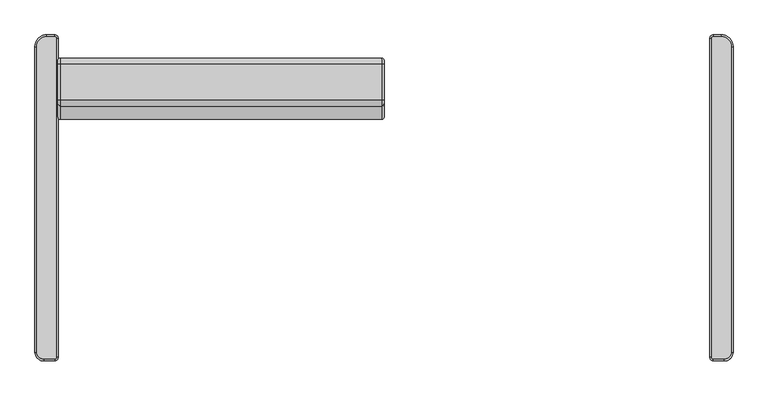
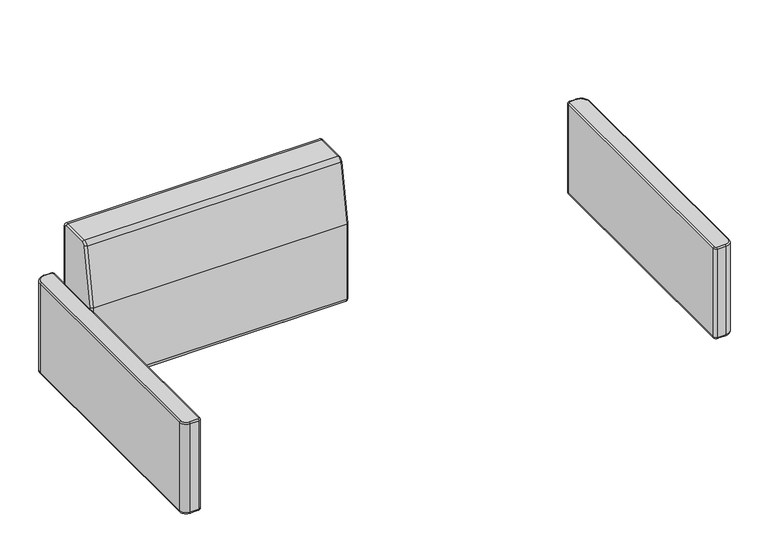
"""IFC4 building model written with IfcOpenShell, lengths in millimetres: furniture geometry."""

from ifc_helpers import new_model, si_unit, point, frame, origin, place, context, project, spatial, circle_curve, ellipse_curve, trimmed, source, transform, mapped, element, save
from ifc_brep_helpers import plane_surface, cylinder_surface, revolved_surface, advanced_brep


def furniture_9912855e(model_context):
    return source(origin(), model_context, "Body", "AdvancedBrep", [
        advanced_brep(
        [(-715.1646314, 347.967307, 584.1999879), (-718.8135784, 351.616254, 584.1999879), (-736.5972339, 351.616254, 584.1999879), (-758.0179739, 330.195514, 584.1999879), (-758.0179739, -336.562693, 584.1999879), (-742.9390268, -351.6416401, 584.1999879), (-718.8135784, -351.6416401, 584.1999879), (-715.1646314, -347.992693, 584.1999879), (-718.8135784, 351.616254, 317.4999879), (-715.1646314, 347.967307, 317.4999879), (-715.1646314, -347.992693, 317.4999879), (-718.8135784, -351.6416401, 317.4999879), (-742.9390268, -351.6416401, 317.4999879), (-758.0179739, -336.562693, 317.4999879), (-758.0179739, 330.195514, 317.4999879), (-736.5972339, 351.616254, 317.4999879), (-718.8135784, 355.587307, 321.4710409), (-711.1935784, 347.967307, 321.4710409), (-718.8135784, 355.587307, 580.2289349), (-711.1935784, 347.967307, 580.2289349), (-736.5972339, 355.587307, 321.4710409), (-736.5972339, 355.587307, 580.2289349), (-761.9890268, 330.195514, 321.4710409), (-761.9890268, 330.195514, 580.2289349), (-761.9890268, -336.562693, 321.4710409), (-761.9890268, -336.562693, 580.2289349), (-742.9390268, -355.612693, 321.4710409), (-742.9390268, -355.612693, 580.2289349), (-718.8135784, -355.612693, 321.4710409), (-718.8135784, -355.612693, 580.2289349), (-711.1935784, -347.992693, 321.4710409), (-711.1935784, -347.992693, 580.2289349)],
        [
            (0, 1, circle_curve(frame((-718.8135784, 347.967307, 584.1999879), z_axis=(0.0, 0.0, 1.0), x_axis=(1.0, 0.0, 0.0)), 3.648947)),
            (1, 2),
            (2, 3, circle_curve(frame((-736.5972339, 330.195514, 584.1999879), z_axis=(0.0, 0.0, 1.0), x_axis=(0.0, 1.0, 0.0)), 21.42074)),
            (3, 4),
            (4, 5, circle_curve(frame((-742.9390268, -336.562693, 584.1999879), z_axis=(0.0, 0.0, 1.0), x_axis=(-1.0, 0.0, 0.0)), 15.078947)),
            (5, 6),
            (6, 7, circle_curve(frame((-718.8135784, -347.992693, 584.1999879), z_axis=(0.0, 0.0, 1.0), x_axis=(0.0, -1.0, 0.0)), 3.648947)),
            (7, 0),
            (8, 9, circle_curve(frame((-718.8135784, 347.967307, 317.4999879), z_axis=(0.0, 0.0, -1.0), x_axis=(1.0, 0.0, 0.0)), 3.648947)),
            (9, 10),
            (10, 11, circle_curve(frame((-718.8135784, -347.992693, 317.4999879), z_axis=(0.0, 0.0, -1.0), x_axis=(0.0, -1.0, 0.0)), 3.648947)),
            (11, 12),
            (12, 13, circle_curve(frame((-742.9390268, -336.562693, 317.4999879), z_axis=(0.0, 0.0, -1.0), x_axis=(-1.0, 0.0, 0.0)), 15.078947)),
            (13, 14),
            (14, 15, circle_curve(frame((-736.5972339, 330.195514, 317.4999879), z_axis=(0.0, 0.0, -1.0), x_axis=(0.0, 1.0, 0.0)), 21.42074)),
            (15, 8),
            (16, 17, circle_curve(frame((-718.8135784, 347.967307, 321.4710409), z_axis=(0.0, 0.0, -1.0), x_axis=(1.0, 0.0, 0.0)), 7.62)),
            (17, 9, circle_curve(frame((-715.1646314, 347.967307, 321.4710409), z_axis=(0.0, 1.0, 0.0), x_axis=(-1.0, 0.0, 0.0)), 3.971053)),
            (8, 16, circle_curve(frame((-718.8135784, 351.616254, 321.4710409), z_axis=(1.0, 0.0, 0.0), x_axis=(0.0, -1.0, 0.0)), 3.971053)),
            (16, 18),
            (18, 19, circle_curve(frame((-718.8135784, 347.967307, 580.2289349), z_axis=(0.0, 0.0, -1.0), x_axis=(1.0, 0.0, 0.0)), 7.62)),
            (19, 17),
            (18, 1, circle_curve(frame((-718.8135784, 351.616254, 580.2289349), z_axis=(1.0, 0.0, 0.0), x_axis=(0.0, -1.0, 0.0)), 3.971053)),
            (0, 19, circle_curve(frame((-715.1646314, 347.967307, 580.2289349), z_axis=(0.0, 1.0, 0.0), x_axis=(-1.0, 0.0, 0.0)), 3.971053)),
            (15, 20, circle_curve(frame((-736.5972339, 351.616254, 321.4710409), z_axis=(1.0, 0.0, 0.0), x_axis=(0.0, -1.0, 0.0)), 3.971053)),
            (20, 16),
            (20, 21),
            (21, 18),
            (21, 2, circle_curve(frame((-736.5972339, 351.616254, 580.2289349), z_axis=(1.0, 0.0, 0.0), x_axis=(0.0, -1.0, 0.0)), 3.971053)),
            (14, 22, circle_curve(frame((-758.0179739, 330.195514, 321.4710409), z_axis=(0.0, 1.0, 0.0), x_axis=(1.0, 0.0, 0.0)), 3.971053)),
            (22, 20, circle_curve(frame((-736.5972339, 330.195514, 321.4710409), z_axis=(0.0, 0.0, -1.0), x_axis=(0.0, 1.0, 0.0)), 25.3917929)),
            (22, 23),
            (23, 21, circle_curve(frame((-736.5972339, 330.195514, 580.2289349), z_axis=(0.0, 0.0, -1.0), x_axis=(0.0, 1.0, 0.0)), 25.3917929)),
            (23, 3, circle_curve(frame((-758.0179739, 330.195514, 580.2289349), z_axis=(0.0, 1.0, 0.0), x_axis=(1.0, 0.0, 0.0)), 3.971053)),
            (13, 24, circle_curve(frame((-758.0179739, -336.562693, 321.4710409), z_axis=(0.0, 1.0, 0.0), x_axis=(1.0, 0.0, 0.0)), 3.971053)),
            (24, 22),
            (24, 25),
            (25, 23),
            (25, 4, circle_curve(frame((-758.0179739, -336.562693, 580.2289349), z_axis=(0.0, 1.0, 0.0), x_axis=(1.0, 0.0, 0.0)), 3.971053)),
            (12, 26, circle_curve(frame((-742.9390268, -351.6416401, 321.4710409), z_axis=(-1.0, 0.0, 0.0), x_axis=(0.0, 1.0, 0.0)), 3.971053)),
            (26, 24, circle_curve(frame((-742.9390268, -336.562693, 321.4710409), z_axis=(0.0, 0.0, -1.0), x_axis=(-1.0, 0.0, 0.0)), 19.05)),
            (26, 27),
            (27, 25, circle_curve(frame((-742.9390268, -336.562693, 580.2289349), z_axis=(0.0, 0.0, -1.0), x_axis=(-1.0, 0.0, 0.0)), 19.05)),
            (27, 5, circle_curve(frame((-742.9390268, -351.6416401, 580.2289349), z_axis=(-1.0, 0.0, 0.0), x_axis=(0.0, 1.0, 0.0)), 3.971053)),
            (11, 28, circle_curve(frame((-718.8135784, -351.6416401, 321.4710409), z_axis=(-1.0, 0.0, 0.0), x_axis=(0.0, 1.0, 0.0)), 3.971053)),
            (28, 26),
            (28, 29),
            (29, 27),
            (29, 6, circle_curve(frame((-718.8135784, -351.6416401, 580.2289349), z_axis=(-1.0, 0.0, 0.0), x_axis=(0.0, 1.0, 0.0)), 3.971053)),
            (10, 30, circle_curve(frame((-715.1646314, -347.992693, 321.4710409), z_axis=(0.0, -1.0, 0.0), x_axis=(-1.0, 0.0, 0.0)), 3.971053)),
            (30, 28, circle_curve(frame((-718.8135784, -347.992693, 321.4710409), z_axis=(0.0, 0.0, -1.0), x_axis=(0.0, -1.0, 0.0)), 7.62)),
            (30, 31),
            (31, 29, circle_curve(frame((-718.8135784, -347.992693, 580.2289349), z_axis=(0.0, 0.0, -1.0), x_axis=(0.0, -1.0, 0.0)), 7.62)),
            (31, 7, circle_curve(frame((-715.1646314, -347.992693, 580.2289349), z_axis=(0.0, -1.0, 0.0), x_axis=(-1.0, 0.0, 0.0)), 3.971053)),
            (17, 30),
            (19, 31),
        ],
        [
            plane_surface(frame((-715.1764939, 330.195514, 584.1999879), z_axis=(0.0, 0.0, 1.0), x_axis=(0.0, 1.0, 0.0))),
            plane_surface(frame((-715.1764939, 330.195514, 317.4999879), z_axis=(0.0, 0.0, -1.0), x_axis=(0.0, -1.0, 0.0))),
            revolved_surface(trimmed(ellipse_curve(frame((-715.1646314, 347.967307, 321.4710409), z_axis=(0.0, -1.0, 0.0), x_axis=(-1.0, 0.0, 0.0)), 3.971053, 3.971053), [point((-715.1646314, 347.967307, 317.4999879))], [point((-711.1935784, 347.967307, 321.4710409))], True, "CARTESIAN"), (-718.8135784, 347.967307, 581.025), (0.0, 0.0, 1.0)),
            cylinder_surface(frame((-718.8135784, 347.967307, 581.025), z_axis=(0.0, 0.0, 1.0), x_axis=(1.0, 0.0, 0.0)), 7.62),
            revolved_surface(trimmed(ellipse_curve(frame((-715.1646314, 347.967307, 580.2289349), z_axis=(0.0, -1.0, 0.0), x_axis=(-1.0, 0.0, 0.0)), 3.971053, 3.971053), [point((-711.1935784, 347.967307, 580.2289349))], [point((-715.1646314, 347.967307, 584.1999879))], True, "CARTESIAN"), (-718.8135784, 347.967307, 581.025), (0.0, 0.0, 1.0)),
            cylinder_surface(frame((-718.8135784, 351.616254, 321.4710409), z_axis=(1.0, 0.0, 0.0), x_axis=(0.0, -1.0, 0.0)), 3.971053),
            plane_surface(frame((-718.8135784, 355.587307, 321.4710409), z_axis=(0.0, 1.0, 0.0), x_axis=(-1.0, 0.0, 0.0))),
            cylinder_surface(frame((-718.8135784, 351.616254, 580.2289349), z_axis=(1.0, 0.0, 0.0), x_axis=(0.0, -1.0, 0.0)), 3.971053),
            revolved_surface(trimmed(ellipse_curve(frame((-736.5972339, 351.616254, 321.4710409), z_axis=(1.0, 0.0, 0.0), x_axis=(0.0, -1.0, 0.0)), 3.971053, 3.971053), [point((-736.5972339, 351.616254, 317.4999879))], [point((-736.5972339, 355.587307, 321.4710409))], True, "CARTESIAN"), (-736.5972339, 330.195514, 581.025), (0.0, 0.0, 1.0)),
            cylinder_surface(frame((-736.5972339, 330.195514, 581.025), z_axis=(0.0, 0.0, 1.0), x_axis=(0.0, 1.0, 0.0)), 25.3917929),
            revolved_surface(trimmed(ellipse_curve(frame((-736.5972339, 351.616254, 580.2289349), z_axis=(1.0, 0.0, 0.0), x_axis=(0.0, -1.0, 0.0)), 3.971053, 3.971053), [point((-736.5972339, 355.587307, 580.2289349))], [point((-736.5972339, 351.616254, 584.1999879))], True, "CARTESIAN"), (-736.5972339, 330.195514, 581.025), (0.0, 0.0, 1.0)),
            cylinder_surface(frame((-758.0179739, 330.195514, 321.4710409), z_axis=(0.0, 1.0, 0.0), x_axis=(1.0, 0.0, 0.0)), 3.971053),
            plane_surface(frame((-761.9890268, 330.195514, 321.4710409), z_axis=(-1.0, 0.0, 0.0), x_axis=(0.0, -1.0, 0.0))),
            cylinder_surface(frame((-758.0179739, 330.195514, 580.2289349), z_axis=(0.0, 1.0, 0.0), x_axis=(1.0, 0.0, 0.0)), 3.971053),
            revolved_surface(trimmed(ellipse_curve(frame((-758.0179739, -336.562693, 321.4710409), z_axis=(0.0, 1.0, 0.0), x_axis=(1.0, 0.0, 0.0)), 3.971053, 3.971053), [point((-758.0179739, -336.562693, 317.4999879))], [point((-761.9890268, -336.562693, 321.4710409))], True, "CARTESIAN"), (-742.9390268, -336.562693, 581.025), (0.0, 0.0, 1.0)),
            cylinder_surface(frame((-742.9390268, -336.562693, 581.025), z_axis=(0.0, 0.0, 1.0), x_axis=(-1.0, 0.0, 0.0)), 19.05),
            revolved_surface(trimmed(ellipse_curve(frame((-758.0179739, -336.562693, 580.2289349), z_axis=(0.0, 1.0, 0.0), x_axis=(1.0, 0.0, 0.0)), 3.971053, 3.971053), [point((-761.9890268, -336.562693, 580.2289349))], [point((-758.0179739, -336.562693, 584.1999879))], True, "CARTESIAN"), (-742.9390268, -336.562693, 581.025), (0.0, 0.0, 1.0)),
            cylinder_surface(frame((-742.9390268, -351.6416401, 321.4710409), z_axis=(-1.0, 0.0, 0.0), x_axis=(0.0, 1.0, 0.0)), 3.971053),
            plane_surface(frame((-742.9390268, -355.612693, 321.4710409), z_axis=(0.0, -1.0, 0.0), x_axis=(1.0, 0.0, 0.0))),
            cylinder_surface(frame((-742.9390268, -351.6416401, 580.2289349), z_axis=(-1.0, 0.0, 0.0), x_axis=(0.0, 1.0, 0.0)), 3.971053),
            revolved_surface(trimmed(ellipse_curve(frame((-718.8135784, -351.6416401, 321.4710409), z_axis=(-1.0, 0.0, 0.0), x_axis=(0.0, 1.0, 0.0)), 3.971053, 3.971053), [point((-718.8135784, -351.6416401, 317.4999879))], [point((-718.8135784, -355.612693, 321.4710409))], True, "CARTESIAN"), (-718.8135784, -347.992693, 581.025), (0.0, 0.0, 1.0)),
            cylinder_surface(frame((-718.8135784, -347.992693, 581.025), z_axis=(0.0, 0.0, 1.0), x_axis=(0.0, -1.0, 0.0)), 7.62),
            revolved_surface(trimmed(ellipse_curve(frame((-718.8135784, -351.6416401, 580.2289349), z_axis=(-1.0, 0.0, 0.0), x_axis=(0.0, 1.0, 0.0)), 3.971053, 3.971053), [point((-718.8135784, -355.612693, 580.2289349))], [point((-718.8135784, -351.6416401, 584.1999879))], True, "CARTESIAN"), (-718.8135784, -347.992693, 581.025), (0.0, 0.0, 1.0)),
            cylinder_surface(frame((-715.1646314, -347.992693, 321.4710409), z_axis=(0.0, -1.0, 0.0), x_axis=(-1.0, 0.0, 0.0)), 3.971053),
            plane_surface(frame((-711.1935784, -347.992693, 321.4710409), z_axis=(1.0, 0.0, 0.0), x_axis=(0.0, 1.0, 0.0))),
            cylinder_surface(frame((-715.1646314, -347.992693, 580.2289349), z_axis=(0.0, -1.0, 0.0), x_axis=(-1.0, 0.0, 0.0)), 3.971053),
        ],
        [
            (0, [[1, 2, 3, 4, 5, 6, 7, 8]]),
            (1, [[9, 10, 11, 12, 13, 14, 15, 16]]),
            (2, [[17, 18, -9, 19]]),
            (3, [[-17, 20, 21, 22]]),
            (4, [[-21, 23, -1, 24]]),
            (5, [[-19, -16, 25, 26]]),
            (6, [[-20, -26, 27, 28]]),
            (7, [[-23, -28, 29, -2]]),
            (8, [[-25, -15, 30, 31]]),
            (9, [[-27, -31, 32, 33]]),
            (10, [[-29, -33, 34, -3]]),
            (11, [[-30, -14, 35, 36]]),
            (12, [[-32, -36, 37, 38]]),
            (13, [[-34, -38, 39, -4]]),
            (14, [[-35, -13, 40, 41]]),
            (15, [[-37, -41, 42, 43]]),
            (16, [[-39, -43, 44, -5]]),
            (17, [[-40, -12, 45, 46]]),
            (18, [[-42, -46, 47, 48]]),
            (19, [[-44, -48, 49, -6]]),
            (20, [[-45, -11, 50, 51]]),
            (21, [[-47, -51, 52, 53]]),
            (22, [[-49, -53, 54, -7]]),
            (23, [[-18, 55, -50, -10]]),
            (24, [[-22, 56, -52, -55]]),
            (25, [[-24, -8, -54, -56]]),
        ],
    ),
        advanced_brep(
        [(718.8135784, 351.616254, 584.1999879), (715.1646314, 347.967307, 584.1999879), (715.1646314, -347.992693, 584.1999879), (718.8135784, -351.6416401, 584.1999879), (742.9390268, -351.6416401, 584.1999879), (758.0179739, -336.562693, 584.1999879), (758.0179739, 330.195514, 584.1999879), (736.5972339, 351.616254, 584.1999879), (715.1646314, 347.967307, 317.4999879), (718.8135784, 351.616254, 317.4999879), (736.5972339, 351.616254, 317.4999879), (758.0179739, 330.195514, 317.4999879), (758.0179739, -336.562693, 317.4999879), (742.9390268, -351.6416401, 317.4999879), (718.8135784, -351.6416401, 317.4999879), (715.1646314, -347.992693, 317.4999879), (711.1935784, 347.967307, 321.4710409), (718.8135784, 355.587307, 321.4710409), (711.1935784, 347.967307, 580.2289349), (718.8135784, 355.587307, 580.2289349), (736.5972339, 355.587307, 321.4710409), (736.5972339, 355.587307, 580.2289349), (761.9890268, 330.195514, 321.4710409), (761.9890268, 330.195514, 580.2289349), (761.9890268, -336.562693, 321.4710409), (761.9890268, -336.562693, 580.2289349), (742.9390268, -355.612693, 321.4710409), (742.9390268, -355.612693, 580.2289349), (718.8135784, -355.612693, 321.4710409), (718.8135784, -355.612693, 580.2289349), (711.1935784, -347.992693, 321.4710409), (711.1935784, -347.992693, 580.2289349)],
        [
            (0, 1, circle_curve(frame((718.8135784, 347.967307, 584.1999879), z_axis=(0.0, 0.0, 1.0), x_axis=(-1.0, 0.0, 0.0)), 3.648947)),
            (1, 2),
            (2, 3, circle_curve(frame((718.8135784, -347.992693, 584.1999879), z_axis=(0.0, 0.0, 1.0), x_axis=(0.0, -1.0, 0.0)), 3.648947)),
            (3, 4),
            (4, 5, circle_curve(frame((742.9390268, -336.562693, 584.1999879), z_axis=(0.0, 0.0, 1.0), x_axis=(1.0, 0.0, 0.0)), 15.078947)),
            (5, 6),
            (6, 7, circle_curve(frame((736.5972339, 330.195514, 584.1999879), z_axis=(0.0, 0.0, 1.0), x_axis=(0.0, 1.0, 0.0)), 21.42074)),
            (7, 0),
            (8, 9, circle_curve(frame((718.8135784, 347.967307, 317.4999879), z_axis=(0.0, 0.0, -1.0), x_axis=(-1.0, 0.0, 0.0)), 3.648947)),
            (9, 10),
            (10, 11, circle_curve(frame((736.5972339, 330.195514, 317.4999879), z_axis=(0.0, 0.0, -1.0), x_axis=(0.0, 1.0, 0.0)), 21.42074)),
            (11, 12),
            (12, 13, circle_curve(frame((742.9390268, -336.562693, 317.4999879), z_axis=(0.0, 0.0, -1.0), x_axis=(1.0, 0.0, 0.0)), 15.078947)),
            (13, 14),
            (14, 15, circle_curve(frame((718.8135784, -347.992693, 317.4999879), z_axis=(0.0, 0.0, -1.0), x_axis=(0.0, -1.0, 0.0)), 3.648947)),
            (15, 8),
            (8, 16, circle_curve(frame((715.1646314, 347.967307, 321.4710409), z_axis=(0.0, 1.0, 0.0), x_axis=(-1.0, 0.0, 0.0)), 3.971053)),
            (16, 17, circle_curve(frame((718.8135784, 347.967307, 321.4710409), z_axis=(0.0, 0.0, -1.0), x_axis=(-1.0, 0.0, 0.0)), 7.62)),
            (17, 9, circle_curve(frame((718.8135784, 351.616254, 321.4710409), z_axis=(-1.0, 0.0, 0.0), x_axis=(0.0, 1.0, 0.0)), 3.971053)),
            (16, 18),
            (18, 19, circle_curve(frame((718.8135784, 347.967307, 580.2289349), z_axis=(0.0, 0.0, -1.0), x_axis=(-1.0, 0.0, 0.0)), 7.62)),
            (19, 17),
            (18, 1, circle_curve(frame((715.1646314, 347.967307, 580.2289349), z_axis=(0.0, 1.0, 0.0), x_axis=(-1.0, 0.0, 0.0)), 3.971053)),
            (0, 19, circle_curve(frame((718.8135784, 351.616254, 580.2289349), z_axis=(-1.0, 0.0, 0.0), x_axis=(0.0, 1.0, 0.0)), 3.971053)),
            (17, 20),
            (20, 10, circle_curve(frame((736.5972339, 351.616254, 321.4710409), z_axis=(-1.0, 0.0, 0.0), x_axis=(0.0, 1.0, 0.0)), 3.971053)),
            (19, 21),
            (21, 20),
            (7, 21, circle_curve(frame((736.5972339, 351.616254, 580.2289349), z_axis=(-1.0, 0.0, 0.0), x_axis=(0.0, 1.0, 0.0)), 3.971053)),
            (20, 22, circle_curve(frame((736.5972339, 330.195514, 321.4710409), z_axis=(0.0, 0.0, -1.0), x_axis=(0.0, 1.0, 0.0)), 25.3917929)),
            (22, 11, circle_curve(frame((758.0179739, 330.195514, 321.4710409), z_axis=(0.0, 1.0, 0.0), x_axis=(1.0, 0.0, 0.0)), 3.971053)),
            (21, 23, circle_curve(frame((736.5972339, 330.195514, 580.2289349), z_axis=(0.0, 0.0, -1.0), x_axis=(0.0, 1.0, 0.0)), 25.3917929)),
            (23, 22),
            (6, 23, circle_curve(frame((758.0179739, 330.195514, 580.2289349), z_axis=(0.0, 1.0, 0.0), x_axis=(1.0, 0.0, 0.0)), 3.971053)),
            (22, 24),
            (24, 12, circle_curve(frame((758.0179739, -336.562693, 321.4710409), z_axis=(0.0, 1.0, 0.0), x_axis=(1.0, 0.0, 0.0)), 3.971053)),
            (23, 25),
            (25, 24),
            (5, 25, circle_curve(frame((758.0179739, -336.562693, 580.2289349), z_axis=(0.0, 1.0, 0.0), x_axis=(1.0, 0.0, 0.0)), 3.971053)),
            (24, 26, circle_curve(frame((742.9390268, -336.562693, 321.4710409), z_axis=(0.0, 0.0, -1.0), x_axis=(1.0, 0.0, 0.0)), 19.05)),
            (26, 13, circle_curve(frame((742.9390268, -351.6416401, 321.4710409), z_axis=(1.0, 0.0, 0.0), x_axis=(0.0, -1.0, 0.0)), 3.971053)),
            (25, 27, circle_curve(frame((742.9390268, -336.562693, 580.2289349), z_axis=(0.0, 0.0, -1.0), x_axis=(1.0, 0.0, 0.0)), 19.05)),
            (27, 26),
            (4, 27, circle_curve(frame((742.9390268, -351.6416401, 580.2289349), z_axis=(1.0, 0.0, 0.0), x_axis=(0.0, -1.0, 0.0)), 3.971053)),
            (26, 28),
            (28, 14, circle_curve(frame((718.8135784, -351.6416401, 321.4710409), z_axis=(1.0, 0.0, 0.0), x_axis=(0.0, -1.0, 0.0)), 3.971053)),
            (27, 29),
            (29, 28),
            (3, 29, circle_curve(frame((718.8135784, -351.6416401, 580.2289349), z_axis=(1.0, 0.0, 0.0), x_axis=(0.0, -1.0, 0.0)), 3.971053)),
            (28, 30, circle_curve(frame((718.8135784, -347.992693, 321.4710409), z_axis=(0.0, 0.0, -1.0), x_axis=(0.0, -1.0, 0.0)), 7.62)),
            (30, 15, circle_curve(frame((715.1646314, -347.992693, 321.4710409), z_axis=(0.0, -1.0, 0.0), x_axis=(-1.0, 0.0, 0.0)), 3.971053)),
            (29, 31, circle_curve(frame((718.8135784, -347.992693, 580.2289349), z_axis=(0.0, 0.0, -1.0), x_axis=(0.0, -1.0, 0.0)), 7.62)),
            (31, 30),
            (2, 31, circle_curve(frame((715.1646314, -347.992693, 580.2289349), z_axis=(0.0, -1.0, 0.0), x_axis=(-1.0, 0.0, 0.0)), 3.971053)),
            (30, 16),
            (31, 18),
        ],
        [
            plane_surface(frame((736.5972339, 351.616254, 584.1999879), z_axis=(0.0, 0.0, 1.0), x_axis=(-1.0, 0.0, 0.0))),
            plane_surface(frame((736.5972339, 351.616254, 317.4999879), z_axis=(0.0, 0.0, -1.0), x_axis=(1.0, 0.0, 0.0))),
            revolved_surface(trimmed(ellipse_curve(frame((715.1646314, 347.967307, 321.4710409), z_axis=(0.0, -1.0, 0.0), x_axis=(-1.0, 0.0, 0.0)), 3.971053, 3.971053), [point((711.1935784, 347.967307, 321.4710409))], [point((715.1646314, 347.967307, 317.4999879))], True, "CARTESIAN"), (718.8135784, 347.967307, 581.025), (0.0, 0.0, -1.0)),
            cylinder_surface(frame((718.8135784, 347.967307, 581.025), z_axis=(0.0, 0.0, -1.0), x_axis=(-1.0, 0.0, 0.0)), 7.62),
            revolved_surface(trimmed(ellipse_curve(frame((715.1646314, 347.967307, 580.2289349), z_axis=(0.0, -1.0, 0.0), x_axis=(-1.0, 0.0, 0.0)), 3.971053, 3.971053), [point((715.1646314, 347.967307, 584.1999879))], [point((711.1935784, 347.967307, 580.2289349))], True, "CARTESIAN"), (718.8135784, 347.967307, 581.025), (0.0, 0.0, -1.0)),
            cylinder_surface(frame((718.8135784, 351.616254, 321.4710409), z_axis=(-1.0, 0.0, 0.0), x_axis=(0.0, 1.0, 0.0)), 3.971053),
            plane_surface(frame((718.8135784, 355.587307, 580.2289349), z_axis=(0.0, 1.0, 0.0), x_axis=(1.0, 0.0, 0.0))),
            cylinder_surface(frame((718.8135784, 351.616254, 580.2289349), z_axis=(-1.0, 0.0, 0.0), x_axis=(0.0, 1.0, 0.0)), 3.971053),
            revolved_surface(trimmed(ellipse_curve(frame((736.5972339, 351.616254, 321.4710409), z_axis=(-1.0, 0.0, 0.0), x_axis=(0.0, 1.0, 0.0)), 3.971053, 3.971053), [point((736.5972339, 355.587307, 321.4710409))], [point((736.5972339, 351.616254, 317.4999879))], True, "CARTESIAN"), (736.5972339, 330.195514, 581.025), (0.0, 0.0, -1.0)),
            cylinder_surface(frame((736.5972339, 330.195514, 581.025), z_axis=(0.0, 0.0, -1.0), x_axis=(0.0, 1.0, 0.0)), 25.3917929),
            revolved_surface(trimmed(ellipse_curve(frame((736.5972339, 351.616254, 580.2289349), z_axis=(-1.0, 0.0, 0.0), x_axis=(0.0, 1.0, 0.0)), 3.971053, 3.971053), [point((736.5972339, 351.616254, 584.1999879))], [point((736.5972339, 355.587307, 580.2289349))], True, "CARTESIAN"), (736.5972339, 330.195514, 581.025), (0.0, 0.0, -1.0)),
            cylinder_surface(frame((758.0179739, 330.195514, 321.4710409), z_axis=(0.0, 1.0, 0.0), x_axis=(1.0, 0.0, 0.0)), 3.971053),
            plane_surface(frame((761.9890268, 330.195514, 580.2289349), z_axis=(1.0, 0.0, 0.0), x_axis=(0.0, -1.0, 0.0))),
            cylinder_surface(frame((758.0179739, 330.195514, 580.2289349), z_axis=(0.0, 1.0, 0.0), x_axis=(1.0, 0.0, 0.0)), 3.971053),
            revolved_surface(trimmed(ellipse_curve(frame((758.0179739, -336.562693, 321.4710409), z_axis=(0.0, 1.0, 0.0), x_axis=(1.0, 0.0, 0.0)), 3.971053, 3.971053), [point((761.9890268, -336.562693, 321.4710409))], [point((758.0179739, -336.562693, 317.4999879))], True, "CARTESIAN"), (742.9390268, -336.562693, 581.025), (0.0, 0.0, -1.0)),
            cylinder_surface(frame((742.9390268, -336.562693, 581.025), z_axis=(0.0, 0.0, -1.0), x_axis=(1.0, 0.0, 0.0)), 19.05),
            revolved_surface(trimmed(ellipse_curve(frame((758.0179739, -336.562693, 580.2289349), z_axis=(0.0, 1.0, 0.0), x_axis=(1.0, 0.0, 0.0)), 3.971053, 3.971053), [point((758.0179739, -336.562693, 584.1999879))], [point((761.9890268, -336.562693, 580.2289349))], True, "CARTESIAN"), (742.9390268, -336.562693, 581.025), (0.0, 0.0, -1.0)),
            cylinder_surface(frame((742.9390268, -351.6416401, 321.4710409), z_axis=(1.0, 0.0, 0.0), x_axis=(0.0, -1.0, 0.0)), 3.971053),
            plane_surface(frame((742.9390268, -355.612693, 580.2289349), z_axis=(0.0, -1.0, 0.0), x_axis=(-1.0, 0.0, 0.0))),
            cylinder_surface(frame((742.9390268, -351.6416401, 580.2289349), z_axis=(1.0, 0.0, 0.0), x_axis=(0.0, -1.0, 0.0)), 3.971053),
            revolved_surface(trimmed(ellipse_curve(frame((718.8135784, -351.6416401, 321.4710409), z_axis=(1.0, 0.0, 0.0), x_axis=(0.0, -1.0, 0.0)), 3.971053, 3.971053), [point((718.8135784, -355.612693, 321.4710409))], [point((718.8135784, -351.6416401, 317.4999879))], True, "CARTESIAN"), (718.8135784, -347.992693, 581.025), (0.0, 0.0, -1.0)),
            cylinder_surface(frame((718.8135784, -347.992693, 581.025), z_axis=(0.0, 0.0, -1.0), x_axis=(0.0, -1.0, 0.0)), 7.62),
            revolved_surface(trimmed(ellipse_curve(frame((718.8135784, -351.6416401, 580.2289349), z_axis=(1.0, 0.0, 0.0), x_axis=(0.0, -1.0, 0.0)), 3.971053, 3.971053), [point((718.8135784, -351.6416401, 584.1999879))], [point((718.8135784, -355.612693, 580.2289349))], True, "CARTESIAN"), (718.8135784, -347.992693, 581.025), (0.0, 0.0, -1.0)),
            cylinder_surface(frame((715.1646314, -347.992693, 321.4710409), z_axis=(0.0, -1.0, 0.0), x_axis=(-1.0, 0.0, 0.0)), 3.971053),
            plane_surface(frame((711.1935784, -347.992693, 580.2289349), z_axis=(-1.0, 0.0, 0.0), x_axis=(0.0, 1.0, 0.0))),
            cylinder_surface(frame((715.1646314, -347.992693, 580.2289349), z_axis=(0.0, -1.0, 0.0), x_axis=(-1.0, 0.0, 0.0)), 3.971053),
        ],
        [
            (0, [[1, 2, 3, 4, 5, 6, 7, 8]]),
            (1, [[9, 10, 11, 12, 13, 14, 15, 16]]),
            (2, [[17, 18, 19, -9]]),
            (3, [[-18, 20, 21, 22]]),
            (4, [[-21, 23, -1, 24]]),
            (5, [[-19, 25, 26, -10]]),
            (6, [[-22, 27, 28, -25]]),
            (7, [[-24, -8, 29, -27]]),
            (8, [[-26, 30, 31, -11]]),
            (9, [[-28, 32, 33, -30]]),
            (10, [[-29, -7, 34, -32]]),
            (11, [[-31, 35, 36, -12]]),
            (12, [[-33, 37, 38, -35]]),
            (13, [[-34, -6, 39, -37]]),
            (14, [[-36, 40, 41, -13]]),
            (15, [[-38, 42, 43, -40]]),
            (16, [[-39, -5, 44, -42]]),
            (17, [[-41, 45, 46, -14]]),
            (18, [[-43, 47, 48, -45]]),
            (19, [[-44, -4, 49, -47]]),
            (20, [[-46, 50, 51, -15]]),
            (21, [[-48, 52, 53, -50]]),
            (22, [[-49, -3, 54, -52]]),
            (23, [[-17, -16, -51, 55]]),
            (24, [[-20, -55, -53, 56]]),
            (25, [[-23, -56, -54, -2]]),
        ],
    ),
        advanced_brep(
        [(-711.8064569, 300.1899767, 749.1899478), (-711.8064569, 292.100436, 757.2794885), (-707.1959976, 292.100436, 761.8899478), (-707.1959976, 304.800436, 749.1899478), (-4.572, 292.100436, 761.8899478), (-4.572, 304.800436, 749.1899478), (-707.1959976, 304.800436, 368.2390955), (-711.8064569, 300.1899767, 368.2390955), (-4.572, 304.800436, 368.2390955), (-707.1959976, 292.100436, 355.5390955), (-711.8064569, 292.100436, 360.1495548), (-4.572, 292.100436, 355.5390955), (-707.1959976, 184.150436, 355.5390955), (-711.8064569, 184.150436, 360.1495548), (-4.572, 184.150436, 355.5390955), (-707.1959976, 171.450436, 368.2390955), (-711.8064569, 176.0608953, 368.2390955), (-4.572, 171.450436, 368.2390955), (-178.1023595, 176.8088949, 357.8760952), (-177.499966, 176.8088949, 357.8760952), (-177.8011627, 178.0348284, 357.1085364), (-355.9023595, 176.8088949, 357.8760952), (-355.299966, 176.8088949, 357.8760952), (-355.6011627, 178.0348284, 357.1085364), (-533.7023595, 176.8088949, 357.8760952), (-533.099966, 176.8088949, 357.8760952), (-533.4011627, 178.0348284, 357.1085364), (-707.1959976, 171.450436, 587.3479845), (-711.8064569, 176.0608953, 586.9446216), (-4.572, 171.450436, 587.3479845), (-707.1959976, 200.3764003, 751.3952797), (-711.8064569, 204.9168164, 750.5946818), (-4.572, 200.3764003, 751.3952797), (-707.1959976, 212.8834587, 761.8899478), (-711.8064569, 212.8834587, 757.2794885), (-4.572, 212.8834587, 761.8899478), (0.0, 292.100436, 757.3179478), (0.0, 212.8834587, 757.3179478), (0.0, 204.8789413, 750.6013602), (0.0, 176.022436, 586.9479863), (0.0, 176.022436, 368.2390955), (0.0, 184.150436, 360.1110955), (0.0, 292.100436, 360.1110955), (0.0, 300.228436, 368.2390955), (0.0, 300.228436, 749.1899478), (-177.8011627, 178.0348284, 357.8760952), (-355.6011627, 178.0348284, 357.8760952), (-533.4011627, 178.0348284, 357.8760952)],
        [
            (0, 1, circle_curve(frame((-711.8064569, 292.100436, 749.1899478), z_axis=(1.0, 0.0, 0.0), x_axis=(0.0, 0.0, 1.0)), 8.0895407)),
            (1, 2, circle_curve(frame((-707.1959976, 292.100436, 757.2794885), z_axis=(0.0, 1.0, 0.0), x_axis=(0.0, 0.0, 1.0)), 4.6104593)),
            (2, 3, circle_curve(frame((-707.1959976, 292.100436, 749.1899478), z_axis=(-1.0, 0.0, 0.0), x_axis=(0.0, 0.0, 1.0)), 12.7)),
            (3, 0, circle_curve(frame((-707.1959976, 300.1899767, 749.1899478), z_axis=(0.0, 0.0, 1.0), x_axis=(0.0, 1.0, 0.0)), 4.6104593)),
            (2, 4),
            (4, 5, circle_curve(frame((-4.572, 292.100436, 749.1899478), z_axis=(-1.0, 0.0, 0.0), x_axis=(0.0, 0.0, 1.0)), 12.7)),
            (5, 3),
            (3, 6),
            (6, 7, circle_curve(frame((-707.1959976, 300.1899767, 368.2390955), z_axis=(0.0, 0.0, 1.0), x_axis=(0.0, 1.0, 0.0)), 4.6104593)),
            (7, 0),
            (5, 8),
            (8, 6),
            (6, 9, circle_curve(frame((-707.1959976, 292.100436, 368.2390955), z_axis=(-1.0, 0.0, 0.0), x_axis=(0.0, 1.0, 0.0)), 12.7)),
            (9, 10, circle_curve(frame((-707.1959976, 292.100436, 360.1495548), z_axis=(0.0, 1.0, 0.0), x_axis=(0.0, 0.0, -1.0)), 4.6104593)),
            (10, 7, circle_curve(frame((-711.8064569, 292.100436, 368.2390955), z_axis=(1.0, 0.0, 0.0), x_axis=(0.0, 1.0, 0.0)), 8.0895407)),
            (8, 11, circle_curve(frame((-4.572, 292.100436, 368.2390955), z_axis=(-1.0, 0.0, 0.0), x_axis=(0.0, 1.0, 0.0)), 12.7)),
            (11, 9),
            (9, 12),
            (12, 13, circle_curve(frame((-707.1959976, 184.150436, 360.1495548), z_axis=(0.0, 1.0, 0.0), x_axis=(0.0, 0.0, -1.0)), 4.6104593)),
            (13, 10),
            (11, 14),
            (14, 12),
            (12, 15, circle_curve(frame((-707.1959976, 184.150436, 368.2390955), z_axis=(-1.0, 0.0, 0.0), x_axis=(0.0, 0.0, -1.0)), 12.7)),
            (15, 16, circle_curve(frame((-707.1959976, 176.0608953, 368.2390955), z_axis=(0.0, 0.0, -1.0), x_axis=(0.0, -1.0, 0.0)), 4.6104593)),
            (16, 13, circle_curve(frame((-711.8064569, 184.150436, 368.2390955), z_axis=(1.0, 0.0, 0.0), x_axis=(0.0, 0.0, -1.0)), 8.0895407)),
            (14, 17, circle_curve(frame((-4.572, 184.150436, 368.2390955), z_axis=(-1.0, 0.0, 0.0), x_axis=(0.0, 0.0, -1.0)), 12.7)),
            (17, 15),
            (18, 19),
            (19, 20, ellipse_curve(frame((-179.3036922, 184.150436, 368.2390955), z_axis=(0.9711198537066593, 0.23859218289113482, 0.0), x_axis=(-0.23859218289113468, 0.9711198537066593, 0.0)), 13.0776855, 12.7)),
            (20, 18, ellipse_curve(frame((-176.2986333, 184.150436, 368.2390955), z_axis=(-0.9711198537066649, 0.23859218289111192, 0.0), x_axis=(-0.23859218289111164, -0.971119853706665, 0.0)), 13.0776855, 12.7)),
            (21, 22),
            (22, 23, ellipse_curve(frame((-357.1036922, 184.150436, 368.2390955), z_axis=(0.9711198537066863, 0.23859218289102516, 0.0), x_axis=(-0.2385921828910247, 0.9711198537066863, 0.0)), 13.0776855, 12.7)),
            (23, 21, ellipse_curve(frame((-354.0986333, 184.150436, 368.2390955), z_axis=(-0.9711198537066924, 0.23859218289100023, 0.0), x_axis=(-0.2385921828909995, -0.9711198537066925, 0.0)), 13.0776855, 12.7)),
            (24, 25),
            (25, 26, ellipse_curve(frame((-534.9036922, 184.150436, 368.2390955), z_axis=(0.9711198537066882, 0.23859218289101738, 0.0), x_axis=(-0.23859218289101716, 0.9711198537066882, 0.0)), 13.0776855, 12.7)),
            (26, 24, ellipse_curve(frame((-531.8986333, 184.150436, 368.2390955), z_axis=(-0.9711198537066706, 0.2385921828910884, 0.0), x_axis=(-0.23859218289108816, -0.9711198537066708, 0.0)), 13.0776855, 12.7)),
            (15, 27),
            (27, 28, ellipse_curve(frame((-707.1959976, 176.0608953, 586.9446216), z_axis=(0.0, -0.08715574274765643, -0.9961946980917458), x_axis=(0.0, 0.9961946980917458, -0.08715574274765407)), 4.6280705, 4.6104593)),
            (28, 16),
            (17, 29),
            (29, 27),
            (27, 30),
            (30, 31, circle_curve(frame((-707.1959976, 204.9168164, 750.5946818), z_axis=(0.0, -0.17364817766692853, -0.9848077530122085), x_axis=(0.0, -0.9848077530122085, 0.17364817766692853)), 4.6104593)),
            (31, 28),
            (29, 32),
            (32, 30),
            (30, 33, circle_curve(frame((-707.1959976, 212.8834587, 749.1899478), z_axis=(-1.0, 0.0, 0.0), x_axis=(0.0, -0.9848077530122081, 0.17364817766692994)), 12.7)),
            (33, 34, circle_curve(frame((-707.1959976, 212.8834587, 757.2794885), z_axis=(0.0, -1.0, 0.0), x_axis=(0.0, 0.0, 1.0)), 4.6104593)),
            (34, 31, circle_curve(frame((-711.8064569, 212.8834587, 749.1899478), z_axis=(1.0, 0.0, 0.0), x_axis=(0.0, -0.9848077530122081, 0.17364817766692994)), 8.0895407)),
            (32, 35, circle_curve(frame((-4.572, 212.8834587, 749.1899478), z_axis=(-1.0, 0.0, 0.0), x_axis=(0.0, -0.9848077530122081, 0.17364817766692994)), 12.7)),
            (35, 33),
            (34, 1),
            (33, 2),
            (35, 4),
            (36, 37),
            (37, 38, circle_curve(frame((0.0, 212.8834587, 749.1899478), z_axis=(1.0, 0.0, 0.0), x_axis=(0.0, -0.9848077530122081, 0.17364817766692994)), 8.128)),
            (38, 39),
            (39, 40),
            (40, 41, circle_curve(frame((0.0, 184.150436, 368.2390955), z_axis=(1.0, 0.0, 0.0), x_axis=(0.0, 0.0, -1.0)), 8.128)),
            (41, 42),
            (42, 43, circle_curve(frame((0.0, 292.100436, 368.2390955), z_axis=(1.0, 0.0, 0.0), x_axis=(0.0, 1.0, 0.0)), 8.128)),
            (43, 44),
            (44, 36, circle_curve(frame((0.0, 292.100436, 749.1899478), z_axis=(1.0, 0.0, 0.0), x_axis=(0.0, 0.0, 1.0)), 8.128)),
            (4, 36, circle_curve(frame((-4.572, 292.100436, 757.3179478), z_axis=(0.0, 1.0, 0.0), x_axis=(0.0, 0.0, 1.0)), 4.572)),
            (44, 5, circle_curve(frame((-4.572, 300.228436, 749.1899478), z_axis=(0.0, 0.0, 1.0), x_axis=(0.0, 1.0, 0.0)), 4.572)),
            (43, 8, circle_curve(frame((-4.572, 300.228436, 368.2390955), z_axis=(0.0, 0.0, 1.0), x_axis=(0.0, 1.0, 0.0)), 4.572)),
            (42, 11, circle_curve(frame((-4.572, 292.100436, 360.1110955), z_axis=(0.0, 1.0, 0.0), x_axis=(0.0, 0.0, -1.0)), 4.572)),
            (41, 14, circle_curve(frame((-4.572, 184.150436, 360.1110955), z_axis=(0.0, 1.0, 0.0), x_axis=(0.0, 0.0, -1.0)), 4.572)),
            (40, 17, circle_curve(frame((-4.572, 176.022436, 368.2390955), z_axis=(0.0, 0.0, -1.0), x_axis=(0.0, -1.0, 0.0)), 4.572)),
            (39, 29, ellipse_curve(frame((-4.572, 176.022436, 586.9479863), z_axis=(0.0, -0.08715574274765643, -0.9961946980917458), x_axis=(0.0, 0.9961946980917458, -0.08715574274765407)), 4.5894643, 4.572)),
            (38, 32, circle_curve(frame((-4.572, 204.8789413, 750.6013602), z_axis=(0.0, -0.17364817766692853, -0.9848077530122085), x_axis=(0.0, -0.9848077530122085, 0.17364817766692853)), 4.572)),
            (37, 35, circle_curve(frame((-4.572, 212.8834587, 757.3179478), z_axis=(0.0, -1.0, 0.0), x_axis=(0.0, 0.0, 1.0)), 4.572)),
            (18, 45),
            (45, 19),
            (21, 46),
            (46, 22),
            (24, 47),
            (47, 25),
            (20, 45),
            (23, 46),
            (26, 47),
        ],
        [
            revolved_surface(trimmed(ellipse_curve(frame((-707.1959976, 292.100436, 757.2794885), z_axis=(0.0, -1.0, 0.0), x_axis=(0.0, 0.0, 1.0)), 4.6104593, 4.6104593), [point((-707.1959976, 292.100436, 761.8899478))], [point((-711.8064569, 292.100436, 757.2794885))], True, "CARTESIAN"), (0.0, 292.100436, 749.1899478), (-1.0, 0.0, 0.0)),
            cylinder_surface(frame((0.0, 292.100436, 749.1899478), z_axis=(-1.0, 0.0, 0.0), x_axis=(0.0, 0.0, 1.0)), 12.7),
            cylinder_surface(frame((-707.1959976, 300.1899767, 749.1899478), z_axis=(0.0, 0.0, 1.0), x_axis=(0.0, 1.0, 0.0)), 4.6104593),
            plane_surface(frame((-4.572, 304.800436, 749.1899478), z_axis=(0.0, 1.0, 0.0), x_axis=(0.0, 0.0, -1.0))),
            revolved_surface(trimmed(ellipse_curve(frame((-707.1959976, 300.1899767, 368.2390955), z_axis=(0.0, 0.0, 1.0), x_axis=(0.0, 1.0, 0.0)), 4.6104593, 4.6104593), [point((-707.1959976, 304.800436, 368.2390955))], [point((-711.8064569, 300.1899767, 368.2390955))], True, "CARTESIAN"), (0.0, 292.100436, 368.2390955), (-1.0, 0.0, 0.0)),
            cylinder_surface(frame((0.0, 292.100436, 368.2390955), z_axis=(-1.0, 0.0, 0.0), x_axis=(0.0, 1.0, 0.0)), 12.7),
            cylinder_surface(frame((-707.1959976, 292.100436, 360.1495548), z_axis=(0.0, 1.0, 0.0), x_axis=(0.0, 0.0, -1.0)), 4.6104593),
            plane_surface(frame((-4.572, 292.100436, 355.5390955), z_axis=(0.0, 0.0, -1.0), x_axis=(0.0, -1.0, 0.0))),
            revolved_surface(trimmed(ellipse_curve(frame((-707.1959976, 184.150436, 360.1495548), z_axis=(0.0, 1.0, 0.0), x_axis=(0.0, 0.0, -1.0)), 4.6104593, 4.6104593), [point((-707.1959976, 184.150436, 355.5390955))], [point((-711.8064569, 184.150436, 360.1495548))], True, "CARTESIAN"), (0.0, 184.150436, 368.2390955), (-1.0, 0.0, 0.0)),
            cylinder_surface(frame((0.0, 184.150436, 368.2390955), z_axis=(-1.0, 0.0, 0.0), x_axis=(0.0, 0.0, -1.0)), 12.7),
            cylinder_surface(frame((-707.1959976, 176.0608953, 368.2390955), z_axis=(0.0, 0.0, -1.0), x_axis=(0.0, -1.0, 0.0)), 4.6104593),
            plane_surface(frame((-4.572, 171.450436, 368.2390955), z_axis=(0.0, -1.0, 0.0), x_axis=(0.0, 0.0, 1.0))),
            cylinder_surface(frame((-707.1959976, 175.9908521, 586.5473866), z_axis=(0.0, -0.17364817766692853, -0.9848077530122085), x_axis=(0.0, -0.9848077530122085, 0.17364817766692853)), 4.6104593),
            plane_surface(frame((-4.572, 171.450436, 587.3479845), z_axis=(0.0, -0.9848077530122084, 0.17364817766692858), x_axis=(0.0, 0.17364817766692858, 0.9848077530122084))),
            revolved_surface(trimmed(ellipse_curve(frame((-707.1959976, 204.9168164, 750.5946818), z_axis=(0.0, -0.1736481776669298, -0.9848077530122081), x_axis=(0.0, -0.9848077530122081, 0.1736481776669298)), 4.6104593, 4.6104593), [point((-707.1959976, 200.3764003, 751.3952797))], [point((-711.8064569, 204.9168164, 750.5946818))], True, "CARTESIAN"), (0.0, 212.8834587, 749.1899478), (-1.0, 0.0, 0.0)),
            cylinder_surface(frame((0.0, 212.8834587, 749.1899478), z_axis=(-1.0, 0.0, 0.0), x_axis=(0.0, -0.9848077530122081, 0.17364817766692994)), 12.7),
            plane_surface(frame((-711.8064569, 212.8834587, 757.2794885), z_axis=(-1.0, 0.0, 0.0), x_axis=(0.0, 1.0, 0.0))),
            cylinder_surface(frame((-707.1959976, 212.8834587, 757.2794885), z_axis=(0.0, -1.0, 0.0), x_axis=(0.0, 0.0, 1.0)), 4.6104593),
            plane_surface(frame((-4.572, 212.8834587, 761.8899478), z_axis=(0.0, 0.0, 1.0), x_axis=(0.0, 1.0, 0.0))),
            plane_surface(frame((0.0, 212.8834587, 754.6705296), z_axis=(1.0, 0.0, 0.0), x_axis=(0.0, 1.0, 0.0))),
            revolved_surface(trimmed(ellipse_curve(frame((-4.572, 292.100436, 757.3179478), z_axis=(0.0, -1.0, 0.0), x_axis=(0.0, 0.0, 1.0)), 4.572, 4.572), [point((0.0, 292.100436, 757.3179478))], [point((-4.572, 292.100436, 761.8899478))], True, "CARTESIAN"), (0.0, 292.100436, 749.1899478), (-1.0, 0.0, 0.0)),
            cylinder_surface(frame((-4.572, 300.228436, 749.1899478), z_axis=(0.0, 0.0, 1.0), x_axis=(0.0, 1.0, 0.0)), 4.572),
            revolved_surface(trimmed(ellipse_curve(frame((-4.572, 300.228436, 368.2390955), z_axis=(0.0, 0.0, 1.0), x_axis=(0.0, 1.0, 0.0)), 4.572, 4.572), [point((0.0, 300.228436, 368.2390955))], [point((-4.572, 304.800436, 368.2390955))], True, "CARTESIAN"), (0.0, 292.100436, 368.2390955), (-1.0, 0.0, 0.0)),
            cylinder_surface(frame((-4.572, 292.100436, 360.1110955), z_axis=(0.0, 1.0, 0.0), x_axis=(0.0, 0.0, -1.0)), 4.572),
            revolved_surface(trimmed(ellipse_curve(frame((-4.572, 184.150436, 360.1110955), z_axis=(0.0, 1.0, 0.0), x_axis=(0.0, 0.0, -1.0)), 4.572, 4.572), [point((0.0, 184.150436, 360.1110955))], [point((-4.572, 184.150436, 355.5390955))], True, "CARTESIAN"), (0.0, 184.150436, 368.2390955), (-1.0, 0.0, 0.0)),
            cylinder_surface(frame((-4.572, 176.022436, 368.2390955), z_axis=(0.0, 0.0, -1.0), x_axis=(0.0, -1.0, 0.0)), 4.572),
            cylinder_surface(frame((-4.572, 175.9529771, 586.554065), z_axis=(0.0, -0.17364817766692853, -0.9848077530122085), x_axis=(0.0, -0.9848077530122085, 0.17364817766692853)), 4.572),
            revolved_surface(trimmed(ellipse_curve(frame((-4.572, 204.8789413, 750.6013602), z_axis=(0.0, -0.1736481776669298, -0.9848077530122081), x_axis=(0.0, -0.9848077530122081, 0.1736481776669298)), 4.572, 4.572), [point((0.0, 204.8789413, 750.6013602))], [point((-4.572, 200.3764003, 751.3952797))], True, "CARTESIAN"), (0.0, 212.8834587, 749.1899478), (-1.0, 0.0, 0.0)),
            cylinder_surface(frame((-4.572, 212.8834587, 757.3179478), z_axis=(0.0, -1.0, 0.0), x_axis=(0.0, 0.0, 1.0)), 4.572),
            plane_surface(frame((0.0, 177.9827141, 357.8760952), z_axis=(0.0, 0.0, -1.0), x_axis=(-1.0, 0.0, 0.0))),
            plane_surface(frame((-178.6586203, 174.5447974, 25.4), z_axis=(0.9711198537066649, -0.23859218289111192, 0.0), x_axis=(0.0, 0.0, 1.0))),
            plane_surface(frame((-177.8011627, 178.0348284, 25.4), z_axis=(-0.9711198537066593, -0.23859218289113482, 0.0), x_axis=(0.0, 0.0, 1.0))),
            plane_surface(frame((-356.4586203, 174.5447974, 25.4), z_axis=(0.9711198537066924, -0.23859218289100023, 0.0), x_axis=(0.0, 0.0, 1.0))),
            plane_surface(frame((-355.6011627, 178.0348284, 25.4), z_axis=(-0.9711198537066863, -0.23859218289102516, 0.0), x_axis=(0.0, 0.0, 1.0))),
            plane_surface(frame((-534.2586203, 174.5447974, 25.4), z_axis=(0.9711198537066706, -0.2385921828910884, 0.0), x_axis=(0.0, 0.0, 1.0))),
            plane_surface(frame((-533.4011627, 178.0348284, 25.4), z_axis=(-0.9711198537066882, -0.23859218289101738, 0.0), x_axis=(0.0, 0.0, 1.0))),
        ],
        [
            (0, [[1, 2, 3, 4]]),
            (1, [[-3, 5, 6, 7]]),
            (2, [[-4, 8, 9, 10]]),
            (3, [[-7, 11, 12, -8]]),
            (4, [[-9, 13, 14, 15]]),
            (5, [[-12, 16, 17, -13]]),
            (6, [[-14, 18, 19, 20]]),
            (7, [[-17, 21, 22, -18]]),
            (8, [[-19, 23, 24, 25]]),
            (9, [[-22, 26, 27, -23], [28, 29, 30], [31, 32, 33], [34, 35, 36]]),
            (10, [[-24, 37, 38, 39]]),
            (11, [[-27, 40, 41, -37]]),
            (12, [[-38, 42, 43, 44]]),
            (13, [[-41, 45, 46, -42]]),
            (14, [[-43, 47, 48, 49]]),
            (15, [[-46, 50, 51, -47]]),
            (16, [[-1, -10, -15, -20, -25, -39, -44, -49, 52]]),
            (17, [[-2, -52, -48, 53]]),
            (18, [[-5, -53, -51, 54]]),
            (19, [[55, 56, 57, 58, 59, 60, 61, 62, 63]]),
            (20, [[-6, 64, -63, 65]]),
            (21, [[-11, -65, -62, 66]]),
            (22, [[-16, -66, -61, 67]]),
            (23, [[-21, -67, -60, 68]]),
            (24, [[-26, -68, -59, 69]]),
            (25, [[-40, -69, -58, 70]]),
            (26, [[-45, -70, -57, 71]]),
            (27, [[-50, -71, -56, 72]]),
            (28, [[-54, -72, -55, -64]]),
            (29, [[73, 74, -28]]),
            (29, [[75, 76, -31]]),
            (29, [[77, 78, -34]]),
            (30, [[-73, -30, 79]]),
            (31, [[-74, -79, -29]]),
            (32, [[-75, -33, 80]]),
            (33, [[-76, -80, -32]]),
            (34, [[-77, -36, 81]]),
            (35, [[-78, -81, -35]]),
        ],
    ),
    ])


if __name__ == "__main__":
    model = new_model("IFC4")
    model_context = context("Model", 3, world=origin())
    ifc_project = project(units=[si_unit("LENGTHUNIT", "METRE", prefix="MILLI")], contexts=[model_context])
    site = spatial("IfcSite", under=ifc_project)
    building = spatial("IfcBuilding", under=site)
    placement = place(None, origin())
    furniture_shape = furniture_9912855e(model_context)
    element("IfcFurniture", 1, at=placement, inside=building, context=model_context, shape_type="MappedRepresentation", body=[
        mapped(furniture_shape, transform((0.0, 0.0, 0.0), x_axis=(1.0, 0.0, 0.0), y_axis=(0.0, 1.0, 0.0), z_axis=(0.0, 0.0, 1.0))),
    ])
    save(model, "model.ifc")
